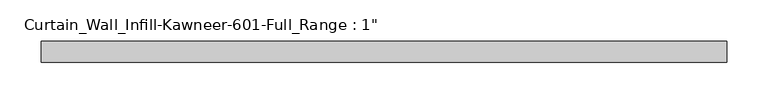
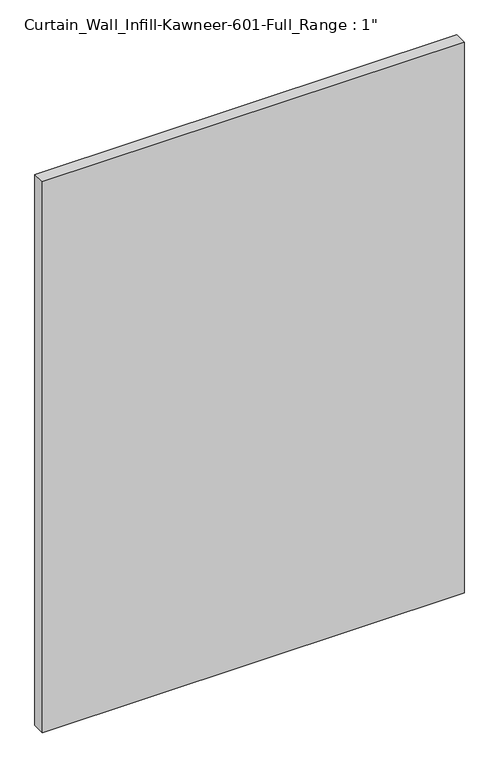
"""IFC4 building model written with IfcOpenShell, lengths in millimetres: plate geometry."""

from ifc_helpers import new_model, si_unit, origin, origin_with_axes, place, context, project, spatial, polyline, outline, extrude, source, transform, mapped, element, save


def plate_e36a5ba4(model_context):
    return source(origin(), model_context, "Body", "SweptSolid", [
        extrude(outline(polyline([(-415.925, -12.7), (-415.925, 12.7), (415.925, 12.7), (415.925, -12.7), (-415.925, -12.7)])), origin_with_axes(), (0.0, 0.0, 1.0), 1149.35),
    ])


if __name__ == "__main__":
    model = new_model("IFC4")
    model_context = context("Model", 3, world=origin())
    ifc_project = project(units=[si_unit("LENGTHUNIT", "METRE", prefix="MILLI")], contexts=[model_context])
    site = spatial("IfcSite", under=ifc_project)
    building = spatial("IfcBuilding", under=site)
    placement = place(None, origin())
    plate_shape = plate_e36a5ba4(model_context)
    element("IfcPlate", 1, ObjectType="Curtain_Wall_Infill-Kawneer-601-Full_Range : 1\"", at=placement, inside=building, context=model_context, shape_type="MappedRepresentation", body=[
        mapped(plate_shape, transform((0.0, 0.0, 0.0), x_axis=(1.0, 0.0, 0.0), y_axis=(0.0, 1.0, 0.0), z_axis=(0.0, 0.0, 1.0))),
    ])
    save(model, "model.ifc")
